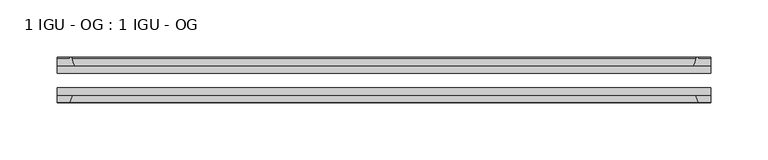
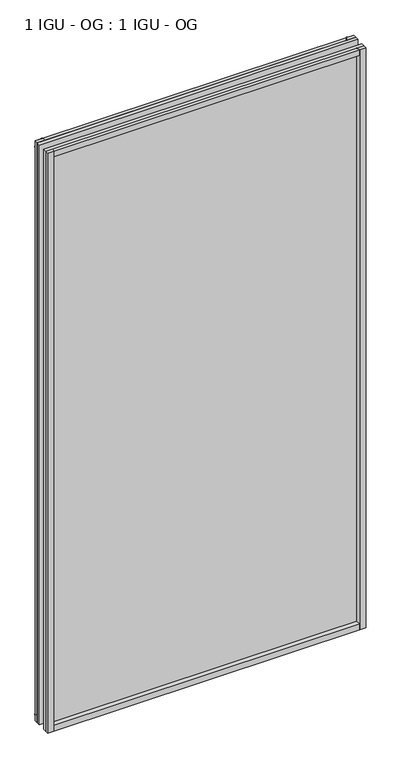
"""IFC4 building model written with IfcOpenShell, lengths in millimetres: plate geometry, 1 IGU - OG : 1 IGU - OG."""

from ifc_helpers import new_model, si_unit, point, frame, frame_2d, origin, place, context, project, spatial, polyline, circle_curve, trimmed, segment, composite_curve, outline, extrude, source, transform, mapped, element, save


def plate_1_igu_og_1_igu_og_362ba4f5(model_context):
    return source(origin(), model_context, "Body", "SweptSolid", [
        extrude(outline(polyline([(267.3224858, -31.75), (267.3224858, -38.1), (-305.4224858, -38.1), (-305.4224858, -31.75), (267.3224858, -31.75)])), frame((0.0, 0.0, -11.1125), z_axis=(0.0, 0.0, 1.0), x_axis=(1.0, 0.0, 0.0)), (0.0, 0.0, 1.0), 1101.725),
        extrude(outline(polyline([(-305.4224858, -12.7), (267.3224858, -12.7), (267.3224858, -19.05), (-305.4224858, -19.05), (-305.4224858, -12.7)])), frame((0.0, 0.0, -11.1125), z_axis=(0.0, 0.0, 1.0), x_axis=(1.0, 0.0, 0.0)), (0.0, 0.0, 1.0), 1101.725),
        extrude(outline(composite_curve([segment(polyline([(-290.0866949, -12.7), (-305.4224858, -12.7), (-305.4224858, -6.35), (-294.3099858, -6.35), (-294.3099858, -4.7751661), (-293.3805719, -4.7751661)]), True, "CONTINUOUS"), segment(trimmed(circle_curve(frame_2d((-293.3805719, -5.5371661)), 0.762), [point((-293.3805719, -4.7751661))], [point((-292.6383619, -5.364631))], False, "CARTESIAN"), True, "CONTINUOUS"), segment(trimmed(circle_curve(frame_2d((-257.0091437, 2.9177851)), 36.5792237), [point((-292.6383619, -5.364631))], [point((-290.0866949, -12.7))], True, "CARTESIAN"), True, "CONTINUOUS")], self_intersect=False)), frame((0.0, 0.0, -11.1125), z_axis=(0.0, 0.0, 1.0), x_axis=(1.0, 0.0, 0.0)), (0.0, 0.0, 1.0), 1101.725),
        extrude(outline(polyline([(-305.4224858, -38.1), (-292.2047087, -38.1), (-294.3099858, -44.45), (-305.4224858, -44.45), (-305.4224858, -38.1)])), frame((0.0, 0.0, -11.1125), z_axis=(0.0, 0.0, 1.0), x_axis=(1.0, 0.0, 0.0)), (0.0, 0.0, 1.0), 1101.725),
        extrude(outline(composite_curve([segment(trimmed(circle_curve(frame_2d((255.2805719, -5.5371661)), 0.762), [point((254.5383619, -5.364631))], [point((255.2805719, -4.7751661))], False, "CARTESIAN"), True, "CONTINUOUS"), segment(polyline([(255.2805719, -4.7751661), (256.2099858, -4.7751661), (256.2099858, -6.35), (267.3224858, -6.35), (267.3224858, -12.7), (251.9866949, -12.7)]), True, "CONTINUOUS"), segment(trimmed(circle_curve(frame_2d((218.9091437, 2.9177851)), 36.5792237), [point((251.9866949, -12.7))], [point((254.5383619, -5.364631))], True, "CARTESIAN"), True, "CONTINUOUS")], self_intersect=False)), frame((0.0, 0.0, -11.1125), z_axis=(0.0, 0.0, 1.0), x_axis=(1.0, 0.0, 0.0)), (0.0, 0.0, 1.0), 1101.725),
        extrude(outline(polyline([(254.1047087, -38.1), (267.3224858, -38.1), (267.3224858, -44.45), (256.2099858, -44.45), (254.1047087, -38.1)])), frame((0.0, 0.0, -11.1125), z_axis=(0.0, 0.0, 1.0), x_axis=(1.0, 0.0, 0.0)), (0.0, 0.0, 1.0), 1101.725),
        extrude(outline(composite_curve([segment(polyline([(-12.7, -11.1125), (-12.7, 4.2232909)]), True, "CONTINUOUS"), segment(trimmed(circle_curve(frame_2d((2.9177851, 37.3008421)), 36.5792237), [point((-12.7, 4.2232909))], [point((-5.364631, 1.6716239))], True, "CARTESIAN"), True, "CONTINUOUS"), segment(trimmed(circle_curve(frame_2d((-5.5371661, 0.929414)), 0.762), [point((-5.364631, 1.6716239))], [point((-4.7751661, 0.929414))], False, "CARTESIAN"), True, "CONTINUOUS"), segment(polyline([(-4.7751661, 0.929414), (-4.7751661, 0.0), (-6.35, 0.0), (-6.35, -11.1125), (-12.7, -11.1125)]), True, "CONTINUOUS")], self_intersect=False)), frame((-305.4224858, 0.0, 0.0), z_axis=(1.0, 0.0, 0.0), x_axis=(0.0, 1.0, 0.0)), (0.0, 0.0, 1.0), 572.7449716),
        extrude(outline(polyline([(-38.1, 2.1052771), (-38.1, -11.1125), (-44.45, -11.1125), (-44.45, 0.0), (-38.1, 2.1052771)])), frame((-305.4224858, 0.0, 0.0), z_axis=(1.0, 0.0, 0.0), x_axis=(0.0, 1.0, 0.0)), (0.0, 0.0, 1.0), 572.7449716),
        extrude(outline(composite_curve([segment(trimmed(circle_curve(frame_2d((2.9177851, 1042.1991578)), 36.5792237), [point((-5.364631, 1077.8283761))], [point((-12.7, 1075.2767091))], True, "CARTESIAN"), True, "CONTINUOUS"), segment(polyline([(-12.7, 1075.2767091), (-12.7, 1090.6125), (-6.35, 1090.6125), (-6.35, 1079.5), (-4.7751661, 1079.5), (-4.7751661, 1078.570586)]), True, "CONTINUOUS"), segment(trimmed(circle_curve(frame_2d((-5.5371661, 1078.570586)), 0.762), [point((-4.7751661, 1078.570586))], [point((-5.364631, 1077.8283761))], False, "CARTESIAN"), True, "CONTINUOUS")], self_intersect=False)), frame((-305.4224858, 0.0, 0.0), z_axis=(1.0, 0.0, 0.0), x_axis=(0.0, 1.0, 0.0)), (0.0, 0.0, 1.0), 572.7449716),
        extrude(outline(polyline([(-38.1, 1090.6125), (-38.1, 1077.3947229), (-44.45, 1079.5), (-44.45, 1090.6125), (-38.1, 1090.6125)])), frame((-305.4224858, 0.0, 0.0), z_axis=(1.0, 0.0, 0.0), x_axis=(0.0, 1.0, 0.0)), (0.0, 0.0, 1.0), 572.7449716),
    ])


if __name__ == "__main__":
    model = new_model("IFC4")
    model_context = context("Model", 3, world=origin())
    ifc_project = project(units=[si_unit("LENGTHUNIT", "METRE", prefix="MILLI")], contexts=[model_context])
    site = spatial("IfcSite", under=ifc_project)
    building = spatial("IfcBuilding", under=site)
    placement = place(None, origin())
    plate_1_igu_og_1_igu_og_shape = plate_1_igu_og_1_igu_og_362ba4f5(model_context)
    element("IfcPlate", 1, ObjectType="1 IGU - OG : 1 IGU - OG", at=placement, inside=building, context=model_context, shape_type="MappedRepresentation", body=[
        mapped(plate_1_igu_og_1_igu_og_shape, transform((0.0, 0.0, 0.0), x_axis=(1.0, 0.0, 0.0), y_axis=(0.0, 1.0, 0.0), z_axis=(0.0, 0.0, 1.0))),
    ])
    save(model, "model.ifc")
